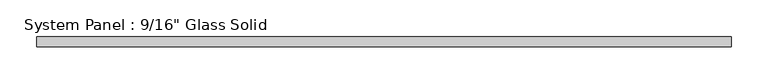
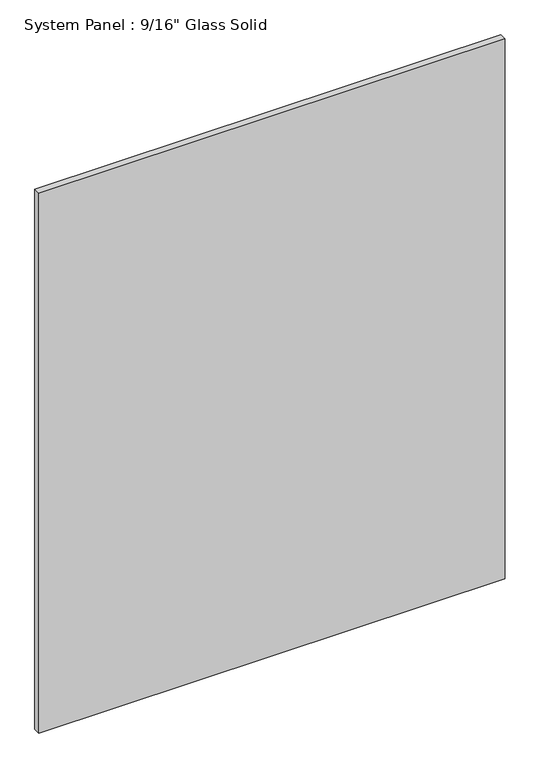
"""IFC4 building model written with IfcOpenShell, lengths in millimetres: plate geometry."""

from ifc_helpers import new_model, si_unit, origin, origin_with_axes, place, context, project, spatial, polyline, outline, extrude, source, transform, mapped, element, save


def plate_6846093c(model_context):
    return source(origin(), model_context, "Body", "SweptSolid", [
        extrude(outline(polyline([(475.6720691, -7.14375), (-475.6720691, -7.14375), (-475.6720691, 7.14375), (475.6720691, 7.14375), (475.6720691, -7.14375)])), origin_with_axes(), (0.0, 0.0, 1.0), 1163.6481604),
    ])


if __name__ == "__main__":
    model = new_model("IFC4")
    model_context = context("Model", 3, world=origin())
    ifc_project = project(units=[si_unit("LENGTHUNIT", "METRE", prefix="MILLI")], contexts=[model_context])
    site = spatial("IfcSite", under=ifc_project)
    building = spatial("IfcBuilding", under=site)
    placement = place(None, origin())
    plate_shape = plate_6846093c(model_context)
    element("IfcPlate", 1, ObjectType="System Panel : 9/16\" Glass Solid", at=placement, inside=building, context=model_context, shape_type="MappedRepresentation", body=[
        mapped(plate_shape, transform((0.0, 0.0, 0.0), x_axis=(1.0, 0.0, 0.0), y_axis=(0.0, 1.0, 0.0), z_axis=(0.0, 0.0, 1.0))),
    ])
    save(model, "model.ifc")
